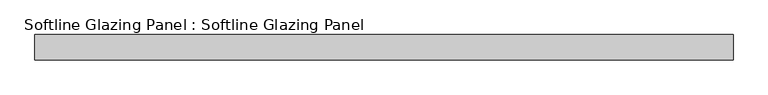
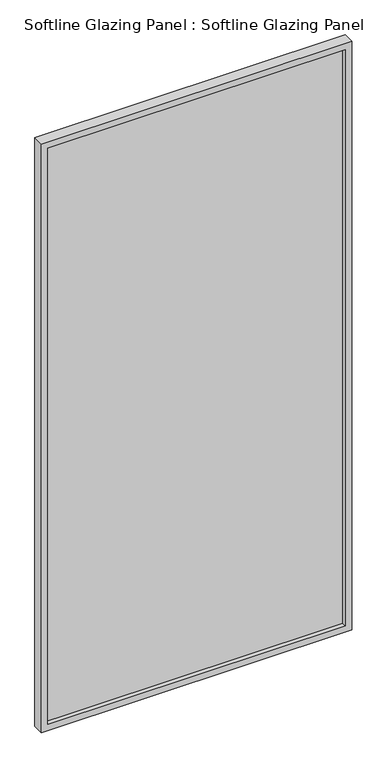
"""IFC4 building model written with IfcOpenShell, lengths in millimetres: plate geometry, Softline Glazing Panel : Softline Glazing Panel."""

from ifc_helpers import new_model, si_unit, frame, origin, place, context, project, spatial, polyline, outline, extrude, faceted_brep, source, transform, mapped, element, save


def softline_glazing_panel_softline_glazing_panel_cac044b9(model_context):
    return source(origin(), model_context, "Body", "SolidModel", [
        extrude(outline(polyline([(606.7949779, -4.0), (-606.7949779, -4.0), (-606.7949779, 4.0), (606.7949779, 4.0), (606.7949779, -4.0)])), frame((0.0, 0.0, 16.0), z_axis=(0.0, 0.0, 1.0), x_axis=(1.0, 0.0, 0.0)), (0.0, 0.0, 1.0), 2468.0),
        faceted_brep([(596.7949779, -4.0, 26.0), (-596.7949779, -4.0, 26.0), (-596.7949779, -22.5, 26.0), (596.7949779, -22.5, 26.0), (606.7949779, 4.0, 16.0), (-606.7949779, 4.0, 16.0), (-606.7949779, -4.0, 16.0), (606.7949779, -4.0, 16.0), (596.7949779, 22.5, 26.0), (-596.7949779, 22.5, 26.0), (-596.7949779, 4.0, 26.0), (596.7949779, 4.0, 26.0), (622.7949779, -22.5, 0.0), (-622.7949779, -22.5, 0.0), (-622.7949779, 22.5, 0.0), (622.7949779, 22.5, 0.0), (-596.7949779, -4.0, 2474.0), (-596.7949779, -22.5, 2474.0), (-606.7949779, 4.0, 2484.0), (-606.7949779, -4.0, 2484.0), (-596.7949779, 22.5, 2474.0), (-596.7949779, 4.0, 2474.0), (-622.7949779, -22.5, 2500.0), (-622.7949779, 22.5, 2500.0), (596.7949779, -4.0, 2474.0), (596.7949779, -22.5, 2474.0), (606.7949779, 4.0, 2484.0), (606.7949779, -4.0, 2484.0), (596.7949779, 22.5, 2474.0), (596.7949779, 4.0, 2474.0), (622.7949779, -22.5, 2500.0), (622.7949779, 22.5, 2500.0)], [[[0, 1, 2, 3]], [[4, 5, 6, 7]], [[8, 9, 10, 11]], [[12, 13, 14, 15]], [[1, 16, 17, 2]], [[5, 18, 19, 6]], [[9, 20, 21, 10]], [[13, 22, 23, 14]], [[16, 24, 25, 17]], [[18, 26, 27, 19]], [[20, 28, 29, 21]], [[22, 30, 31, 23]], [[13, 12, 30, 22], [3, 2, 17, 25]], [[24, 0, 3, 25]], [[7, 6, 19, 27], [1, 0, 24, 16]], [[26, 4, 7, 27]], [[5, 4, 26, 18], [11, 10, 21, 29]], [[28, 8, 11, 29]], [[15, 14, 23, 31], [9, 8, 28, 20]], [[30, 12, 15, 31]]]),
    ])


if __name__ == "__main__":
    model = new_model("IFC4")
    model_context = context("Model", 3, world=origin())
    ifc_project = project(units=[si_unit("LENGTHUNIT", "METRE", prefix="MILLI")], contexts=[model_context])
    site = spatial("IfcSite", under=ifc_project)
    building = spatial("IfcBuilding", under=site)
    placement = place(None, origin())
    softline_glazing_panel_softline_glazing_panel_shape = softline_glazing_panel_softline_glazing_panel_cac044b9(model_context)
    element("IfcPlate", 1, ObjectType="Softline Glazing Panel : Softline Glazing Panel", at=placement, inside=building, context=model_context, shape_type="MappedRepresentation", body=[
        mapped(softline_glazing_panel_softline_glazing_panel_shape, transform((0.0, 0.0, 0.0), x_axis=(1.0, 0.0, 0.0), y_axis=(0.0, 1.0, 0.0), z_axis=(0.0, 0.0, 1.0))),
    ])
    save(model, "model.ifc")
